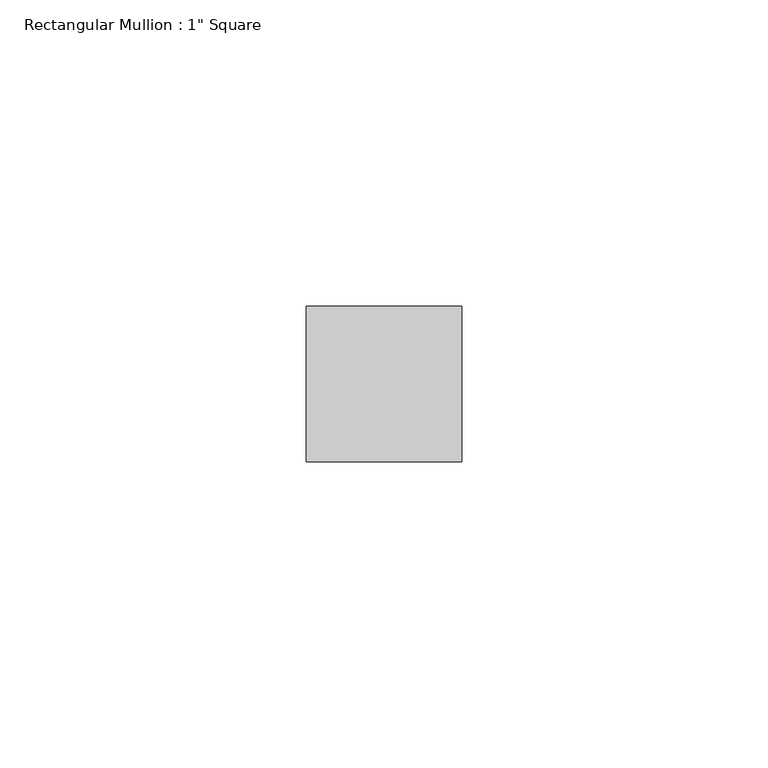
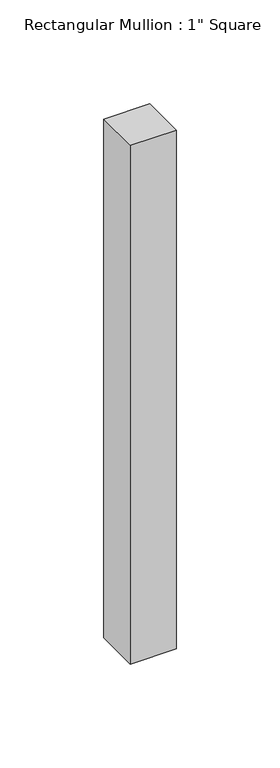
"""IFC4 building model written with IfcOpenShell, lengths in millimetres: member geometry."""

from ifc_helpers import new_model, si_unit, frame, origin, place, context, project, spatial, polyline, outline, extrude, source, transform, mapped, element, save


def member_d020295e(model_context):
    return source(origin(), model_context, "Body", "SweptSolid", [
        extrude(outline(polyline([(12.7, 12.7), (12.7, -12.7), (-12.7, -12.7), (-12.7, 12.7), (12.7, 12.7)])), frame((0.0, 0.0, -304.8), z_axis=(0.0, 0.0, 1.0), x_axis=(1.0, 0.0, 0.0)), (0.0, 0.0, 1.0), 304.8),
    ])


if __name__ == "__main__":
    model = new_model("IFC4")
    model_context = context("Model", 3, world=origin())
    ifc_project = project(units=[si_unit("LENGTHUNIT", "METRE", prefix="MILLI")], contexts=[model_context])
    site = spatial("IfcSite", under=ifc_project)
    building = spatial("IfcBuilding", under=site)
    placement = place(None, origin())
    member_shape = member_d020295e(model_context)
    element("IfcMember", 1, ObjectType="Rectangular Mullion : 1\" Square", at=placement, inside=building, context=model_context, shape_type="MappedRepresentation", body=[
        mapped(member_shape, transform((0.0, 0.0, 0.0), x_axis=(1.0, 0.0, 0.0), y_axis=(0.0, 1.0, 0.0), z_axis=(0.0, 0.0, 1.0))),
    ])
    save(model, "model.ifc")
